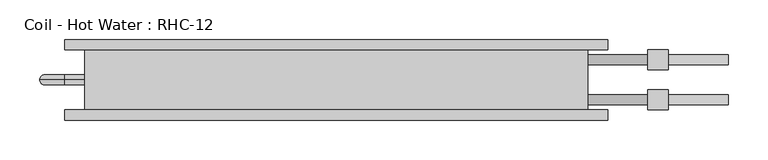
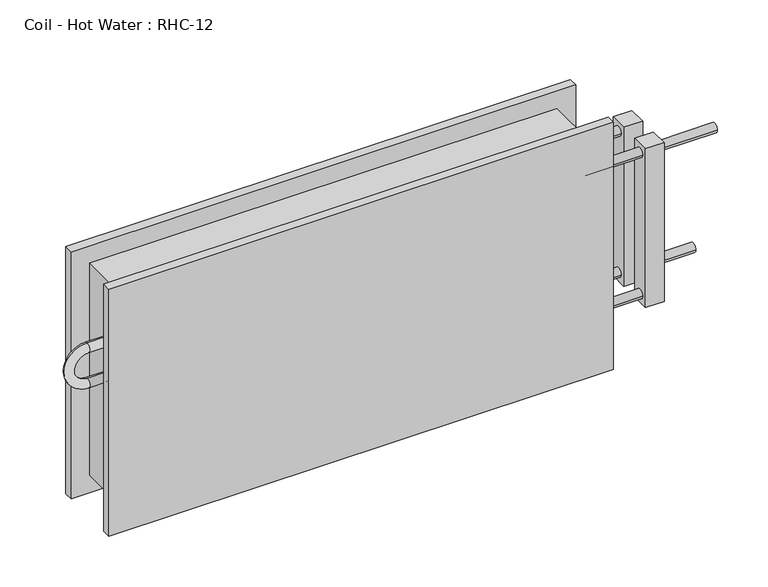
"""IFC4 building model written with IfcOpenShell, lengths in millimetres: proxy geometry, Coil - Hot Water : RHC-12."""

from ifc_helpers import new_model, si_unit, point, frame, origin, place, context, project, spatial, circle_curve, ellipse_curve, trimmed, source, transform, mapped, element, save
from ifc_brep_helpers import plane_surface, cylinder_surface, revolved_surface, advanced_brep


def coil_hot_water_rhc_12_375132b9(model_context):
    return source(origin(), model_context, "Body", "AdvancedBrep", [
        advanced_brep(
        [(-317.5, 76.2, 304.8), (-317.5, 0.0, 304.8), (317.5, 0.0, 304.8), (317.5, 76.2, 304.8), (317.5, 76.2, 0.0), (317.5, 0.0, 0.0), (-317.5, 0.0, 0.0), (-317.5, 76.2, 0.0), (-317.5, 38.1, 222.25), (-317.5, 38.1, 209.55), (-317.5, 38.1, 171.45), (-317.5, 38.1, 158.75), (317.5, 57.15, 254.0), (317.5, 69.85, 254.0), (317.5, 6.35, 50.8), (317.5, 19.05, 50.8), (317.5, 6.35, 254.0), (317.5, 19.05, 254.0), (317.5, 57.15, 50.8), (317.5, 69.85, 50.8), (342.9, 76.2, 330.2), (-342.9, 76.2, 330.2), (-342.9, 76.2, -25.4), (342.9, 76.2, -25.4), (342.9, 88.9, 330.2), (342.9, 88.9, -25.4), (-342.9, 88.9, -25.4), (-342.9, 88.9, 330.2), (495.3, 57.15, 50.8), (495.3, 69.85, 50.8), (495.3, 6.35, 254.0), (495.3, 19.05, 254.0), (419.1, 57.15, 50.8), (419.1, 69.85, 50.8), (419.1, 6.35, 254.0), (419.1, 19.05, 254.0), (342.9, -12.7, 330.2), (-342.9, -12.7, 330.2), (-342.9, -12.7, -25.4), (342.9, -12.7, -25.4), (342.9, 0.0, 330.2), (342.9, 0.0, -25.4), (-342.9, 0.0, -25.4), (-342.9, 0.0, 330.2), (-342.9, 38.1, 222.25), (-342.9, 38.1, 209.55), (-342.9, 38.1, 158.75), (-342.9, 38.1, 171.45), (393.7, 57.15, 254.0), (393.7, 69.85, 254.0), (393.7, 6.35, 50.8), (393.7, 19.05, 50.8), (393.7, 6.35, 254.0), (393.7, 19.05, 254.0), (393.7, 57.15, 50.8), (393.7, 69.85, 50.8), (419.1, 50.8, 266.7), (419.1, 50.8, 38.1), (419.1, 76.2, 38.1), (419.1, 76.2, 266.7), (419.1, 0.0, 266.7), (419.1, 0.0, 38.1), (419.1, 25.4, 38.1), (419.1, 25.4, 266.7), (393.7, 50.8, 266.7), (393.7, 76.2, 266.7), (393.7, 76.2, 38.1), (393.7, 50.8, 38.1), (393.7, 0.0, 266.7), (393.7, 25.4, 266.7), (393.7, 25.4, 38.1), (393.7, 0.0, 38.1)],
        [
            (0, 1),
            (1, 2),
            (2, 3),
            (3, 0),
            (4, 5),
            (5, 6),
            (6, 7),
            (7, 4),
            (0, 7),
            (6, 1),
            (8, 9, circle_curve(frame((-317.5, 38.1, 215.9), z_axis=(1.0, 0.0, 0.0), x_axis=(0.0, 0.0, -1.0)), 6.35)),
            (9, 8, circle_curve(frame((-317.5, 38.1, 215.9), z_axis=(1.0, 0.0, 0.0), x_axis=(0.0, 0.0, -1.0)), 6.35)),
            (10, 11, circle_curve(frame((-317.5, 38.1, 165.1), z_axis=(1.0, 0.0, 0.0), x_axis=(0.0, 0.0, 1.0)), 6.35)),
            (11, 10, circle_curve(frame((-317.5, 38.1, 165.1), z_axis=(1.0, 0.0, 0.0), x_axis=(0.0, 0.0, 1.0)), 6.35)),
            (2, 5),
            (4, 3),
            (12, 13, circle_curve(frame((317.5, 63.5, 254.0), z_axis=(-1.0, 0.0, 0.0), x_axis=(0.0, 1.0, 0.0)), 6.35)),
            (13, 12, circle_curve(frame((317.5, 63.5, 254.0), z_axis=(-1.0, 0.0, 0.0), x_axis=(0.0, 1.0, 0.0)), 6.35)),
            (14, 15, circle_curve(frame((317.5, 12.7, 50.8), z_axis=(-1.0, 0.0, 0.0), x_axis=(0.0, 1.0, 0.0)), 6.35)),
            (15, 14, circle_curve(frame((317.5, 12.7, 50.8), z_axis=(-1.0, 0.0, 0.0), x_axis=(0.0, 1.0, 0.0)), 6.35)),
            (16, 17, circle_curve(frame((317.5, 12.7, 254.0), z_axis=(-1.0, 0.0, 0.0), x_axis=(0.0, 1.0, 0.0)), 6.35)),
            (17, 16, circle_curve(frame((317.5, 12.7, 254.0), z_axis=(-1.0, 0.0, 0.0), x_axis=(0.0, 1.0, 0.0)), 6.35)),
            (18, 19, circle_curve(frame((317.5, 63.5, 50.8), z_axis=(-1.0, 0.0, 0.0), x_axis=(0.0, 1.0, 0.0)), 6.35)),
            (19, 18, circle_curve(frame((317.5, 63.5, 50.8), z_axis=(-1.0, 0.0, 0.0), x_axis=(0.0, 1.0, 0.0)), 6.35)),
            (20, 21),
            (21, 22),
            (22, 23),
            (23, 20),
            (24, 25),
            (25, 26),
            (26, 27),
            (27, 24),
            (20, 24),
            (27, 21),
            (26, 22),
            (25, 23),
            (28, 29, circle_curve(frame((495.3, 63.5, 50.8), z_axis=(1.0, 0.0, 0.0), x_axis=(0.0, 1.0, 0.0)), 6.35)),
            (29, 28, circle_curve(frame((495.3, 63.5, 50.8), z_axis=(1.0, 0.0, 0.0), x_axis=(0.0, 1.0, 0.0)), 6.35)),
            (30, 31, circle_curve(frame((495.3, 12.7, 254.0), z_axis=(1.0, 0.0, 0.0), x_axis=(0.0, 1.0, 0.0)), 6.35)),
            (31, 30, circle_curve(frame((495.3, 12.7, 254.0), z_axis=(1.0, 0.0, 0.0), x_axis=(0.0, 1.0, 0.0)), 6.35)),
            (28, 32),
            (32, 33, circle_curve(frame((419.1, 63.5, 50.8), z_axis=(1.0, 0.0, 0.0), x_axis=(0.0, 1.0, 0.0)), 6.35)),
            (33, 29),
            (33, 32, circle_curve(frame((419.1, 63.5, 50.8), z_axis=(1.0, 0.0, 0.0), x_axis=(0.0, 1.0, 0.0)), 6.35)),
            (30, 34),
            (34, 35, circle_curve(frame((419.1, 12.7, 254.0), z_axis=(1.0, 0.0, 0.0), x_axis=(0.0, 1.0, 0.0)), 6.35)),
            (35, 31),
            (35, 34, circle_curve(frame((419.1, 12.7, 254.0), z_axis=(1.0, 0.0, 0.0), x_axis=(0.0, 1.0, 0.0)), 6.35)),
            (36, 37),
            (37, 38),
            (38, 39),
            (39, 36),
            (40, 41),
            (41, 42),
            (42, 43),
            (43, 40),
            (36, 40),
            (43, 37),
            (42, 38),
            (41, 39),
            (8, 44),
            (44, 45, circle_curve(frame((-342.9, 38.1, 215.9), z_axis=(1.0, 0.0, 0.0), x_axis=(0.0, 0.0, -1.0)), 6.35)),
            (45, 9),
            (45, 44, circle_curve(frame((-342.9, 38.1, 215.9), z_axis=(1.0, 0.0, 0.0), x_axis=(0.0, 0.0, -1.0)), 6.35)),
            (44, 46, circle_curve(frame((-342.9, 38.1, 190.5), z_axis=(0.0, -1.0, 0.0), x_axis=(0.0, 0.0, 1.0)), 31.75)),
            (46, 47, circle_curve(frame((-342.9, 38.1, 165.1), z_axis=(-1.0, 0.0, 0.0), x_axis=(0.0, 0.0, 1.0)), 6.35)),
            (47, 45, circle_curve(frame((-342.9, 38.1, 190.5), z_axis=(0.0, 1.0, 0.0), x_axis=(0.0, 0.0, 1.0)), 19.05)),
            (47, 46, circle_curve(frame((-342.9, 38.1, 165.1), z_axis=(-1.0, 0.0, 0.0), x_axis=(0.0, 0.0, 1.0)), 6.35)),
            (46, 11),
            (10, 47),
            (12, 48),
            (48, 49, circle_curve(frame((393.7, 63.5, 254.0), z_axis=(-1.0, 0.0, 0.0), x_axis=(0.0, 1.0, 0.0)), 6.35)),
            (49, 13),
            (49, 48, circle_curve(frame((393.7, 63.5, 254.0), z_axis=(-1.0, 0.0, 0.0), x_axis=(0.0, 1.0, 0.0)), 6.35)),
            (14, 50),
            (50, 51, circle_curve(frame((393.7, 12.7, 50.8), z_axis=(-1.0, 0.0, 0.0), x_axis=(0.0, 1.0, 0.0)), 6.35)),
            (51, 15),
            (51, 50, circle_curve(frame((393.7, 12.7, 50.8), z_axis=(-1.0, 0.0, 0.0), x_axis=(0.0, 1.0, 0.0)), 6.35)),
            (16, 52),
            (52, 53, circle_curve(frame((393.7, 12.7, 254.0), z_axis=(-1.0, 0.0, 0.0), x_axis=(0.0, 1.0, 0.0)), 6.35)),
            (53, 17),
            (53, 52, circle_curve(frame((393.7, 12.7, 254.0), z_axis=(-1.0, 0.0, 0.0), x_axis=(0.0, 1.0, 0.0)), 6.35)),
            (18, 54),
            (54, 55, circle_curve(frame((393.7, 63.5, 50.8), z_axis=(-1.0, 0.0, 0.0), x_axis=(0.0, 1.0, 0.0)), 6.35)),
            (55, 19),
            (55, 54, circle_curve(frame((393.7, 63.5, 50.8), z_axis=(-1.0, 0.0, 0.0), x_axis=(0.0, 1.0, 0.0)), 6.35)),
            (56, 57),
            (57, 58),
            (58, 59),
            (59, 56),
            (60, 61),
            (61, 62),
            (62, 63),
            (63, 60),
            (64, 65),
            (65, 66),
            (66, 67),
            (67, 64),
            (68, 69),
            (69, 70),
            (70, 71),
            (71, 68),
            (56, 64),
            (67, 57),
            (66, 58),
            (65, 59),
            (60, 68),
            (71, 61),
            (70, 62),
            (69, 63),
        ],
        [
            plane_surface(frame((-317.5, 76.2, 304.8), z_axis=(0.0, 0.0, 1.0), x_axis=(-1.0, 0.0, 0.0))),
            plane_surface(frame((-317.5, 76.2, 0.0), z_axis=(0.0, 0.0, -1.0), x_axis=(1.0, 0.0, 0.0))),
            plane_surface(frame((-317.5, 76.2, 304.8), z_axis=(-1.0, 0.0, 0.0), x_axis=(0.0, 0.0, -1.0))),
            plane_surface(frame((317.5, 0.0, 304.8), z_axis=(1.0, 0.0, 0.0), x_axis=(0.0, 0.0, -1.0))),
            plane_surface(frame((-342.9, 76.2, 330.2), z_axis=(0.0, -1.0, 0.0), x_axis=(-1.0, 0.0, 0.0))),
            plane_surface(frame((-342.9, 88.9, 330.2), z_axis=(0.0, 1.0, 0.0), x_axis=(1.0, 0.0, 0.0))),
            plane_surface(frame((342.9, 76.2, 330.2), z_axis=(0.0, 0.0, 1.0), x_axis=(0.0, 1.0, 0.0))),
            plane_surface(frame((-342.9, 76.2, 330.2), z_axis=(-1.0, 0.0, 0.0), x_axis=(0.0, 1.0, 0.0))),
            plane_surface(frame((-342.9, 76.2, -25.4), z_axis=(0.0, 0.0, -1.0), x_axis=(0.0, 1.0, 0.0))),
            plane_surface(frame((342.9, 76.2, -25.4), z_axis=(1.0, 0.0, 0.0), x_axis=(0.0, 1.0, 0.0))),
            plane_surface(frame((495.3, 69.85, 50.8), z_axis=(1.0, 0.0, 0.0), x_axis=(0.0, 0.0, 1.0))),
            cylinder_surface(frame((419.1, 63.5, 50.8), z_axis=(1.0, 0.0, 0.0), x_axis=(0.0, 1.0, 0.0)), 6.35),
            cylinder_surface(frame((0.0, 12.7, 254.0), z_axis=(1.0, 0.0, 0.0), x_axis=(0.0, 1.0, 0.0)), 6.35),
            plane_surface(frame((-342.9, -12.7, 330.2), z_axis=(0.0, -1.0, 0.0), x_axis=(-1.0, 0.0, 0.0))),
            plane_surface(frame((-342.9, 0.0, 330.2), z_axis=(0.0, 1.0, 0.0), x_axis=(1.0, 0.0, 0.0))),
            plane_surface(frame((342.9, -12.7, 330.2), z_axis=(0.0, 0.0, 1.0), x_axis=(0.0, 1.0, 0.0))),
            plane_surface(frame((-342.9, -12.7, 330.2), z_axis=(-1.0, 0.0, 0.0), x_axis=(0.0, 1.0, 0.0))),
            plane_surface(frame((-342.9, -12.7, -25.4), z_axis=(0.0, 0.0, -1.0), x_axis=(0.0, 1.0, 0.0))),
            plane_surface(frame((342.9, -12.7, -25.4), z_axis=(1.0, 0.0, 0.0), x_axis=(0.0, 1.0, 0.0))),
            cylinder_surface(frame((-317.5, 38.1, 215.9), z_axis=(1.0, 0.0, 0.0), x_axis=(0.0, 0.0, -1.0)), 6.35),
            revolved_surface(trimmed(ellipse_curve(frame((-342.9, 38.1, 215.9), z_axis=(1.0, 0.0, 0.0), x_axis=(0.0, 0.0, -1.0)), 6.35, 6.35), [point((-342.9, 38.1, 222.25))], [point((-342.9, 38.1, 209.55))], True, "CARTESIAN"), (-342.9, 0.0, 190.5), (0.0, -1.0, 0.0)),
            revolved_surface(trimmed(ellipse_curve(frame((-342.9, 38.1, 215.9), z_axis=(1.0, 0.0, 0.0), x_axis=(0.0, 0.0, -1.0)), 6.35, 6.35), [point((-342.9, 38.1, 209.55))], [point((-342.9, 38.1, 222.25))], True, "CARTESIAN"), (-342.9, 0.0, 190.5), (0.0, -1.0, 0.0)),
            cylinder_surface(frame((-342.9, 38.1, 165.1), z_axis=(-1.0, 0.0, 0.0), x_axis=(0.0, 0.0, 1.0)), 6.35),
            cylinder_surface(frame((317.5, 63.5, 254.0), z_axis=(-1.0, 0.0, 0.0), x_axis=(0.0, 1.0, 0.0)), 6.35),
            cylinder_surface(frame((317.5, 12.7, 50.8), z_axis=(-1.0, 0.0, 0.0), x_axis=(0.0, 1.0, 0.0)), 6.35),
            cylinder_surface(frame((317.5, 12.7, 254.0), z_axis=(-1.0, 0.0, 0.0), x_axis=(0.0, 1.0, 0.0)), 6.35),
            cylinder_surface(frame((317.5, 63.5, 50.8), z_axis=(-1.0, 0.0, 0.0), x_axis=(0.0, 1.0, 0.0)), 6.35),
            plane_surface(frame((419.1, 50.8, 264.0802069), z_axis=(1.0, 0.0, 0.0), x_axis=(0.0, 0.0, -1.0))),
            plane_surface(frame((393.7, 50.8, 264.0802069), z_axis=(-1.0, 0.0, 0.0), x_axis=(0.0, 0.0, 1.0))),
            plane_surface(frame((419.1, 50.8, 266.7), z_axis=(0.0, -1.0, 0.0), x_axis=(-1.0, 0.0, 0.0))),
            plane_surface(frame((419.1, 50.8, 38.1), z_axis=(0.0, 0.0, -1.0), x_axis=(-1.0, 0.0, 0.0))),
            plane_surface(frame((419.1, 76.2, 38.1), z_axis=(0.0, 1.0, 0.0), x_axis=(-1.0, 0.0, 0.0))),
            plane_surface(frame((419.1, 76.2, 266.7), z_axis=(0.0, 0.0, 1.0), x_axis=(-1.0, 0.0, 0.0))),
            plane_surface(frame((419.1, 0.0, 266.7), z_axis=(0.0, -1.0, 0.0), x_axis=(-1.0, 0.0, 0.0))),
            plane_surface(frame((419.1, 0.0, 38.1), z_axis=(0.0, 0.0, -1.0), x_axis=(-1.0, 0.0, 0.0))),
            plane_surface(frame((419.1, 25.4, 38.1), z_axis=(0.0, 1.0, 0.0), x_axis=(-1.0, 0.0, 0.0))),
            plane_surface(frame((419.1, 25.4, 266.7), z_axis=(0.0, 0.0, 1.0), x_axis=(-1.0, 0.0, 0.0))),
        ],
        [
            (0, [[1, 2, 3, 4]]),
            (1, [[5, 6, 7, 8]]),
            (2, [[-1, 9, -7, 10], [11, 12], [13, 14]]),
            (3, [[-3, 15, -5, 16], [17, 18], [19, 20], [21, 22], [23, 24]]),
            (4, [[25, 26, 27, 28], [-4, -16, -8, -9]]),
            (5, [[29, 30, 31, 32]]),
            (6, [[-25, 33, -32, 34]]),
            (7, [[-26, -34, -31, 35]]),
            (8, [[-27, -35, -30, 36]]),
            (9, [[-28, -36, -29, -33]]),
            (10, [[37, 38]]),
            (10, [[39, 40]]),
            (11, [[-37, 41, 42, 43]]),
            (11, [[-38, -43, 44, -41]]),
            (12, [[-39, 45, 46, 47]]),
            (12, [[-40, -47, 48, -45]]),
            (13, [[49, 50, 51, 52]]),
            (14, [[53, 54, 55, 56], [-2, -10, -6, -15]]),
            (15, [[-49, 57, -56, 58]]),
            (16, [[-50, -58, -55, 59]]),
            (17, [[-51, -59, -54, 60]]),
            (18, [[-52, -60, -53, -57]]),
            (19, [[61, 62, 63, -11]]),
            (19, [[-61, -12, -63, 64]]),
            (20, [[-62, 65, 66, 67]]),
            (21, [[-64, -67, 68, -65]]),
            (22, [[-66, 69, -13, 70]]),
            (22, [[-68, -70, -14, -69]]),
            (23, [[71, 72, 73, -17]]),
            (23, [[-71, -18, -73, 74]]),
            (24, [[75, 76, 77, -19]]),
            (24, [[-75, -20, -77, 78]]),
            (25, [[79, 80, 81, -21]]),
            (25, [[-79, -22, -81, 82]]),
            (26, [[83, 84, 85, -23]]),
            (26, [[-83, -24, -85, 86]]),
            (27, [[87, 88, 89, 90], [-42, -44]]),
            (27, [[91, 92, 93, 94], [-46, -48]]),
            (28, [[95, 96, 97, 98], [-72, -74], [-84, -86]]),
            (28, [[99, 100, 101, 102], [-76, -78], [-80, -82]]),
            (29, [[-87, 103, -98, 104]]),
            (30, [[-88, -104, -97, 105]]),
            (31, [[-89, -105, -96, 106]]),
            (32, [[-90, -106, -95, -103]]),
            (33, [[-91, 107, -102, 108]]),
            (34, [[-92, -108, -101, 109]]),
            (35, [[-93, -109, -100, 110]]),
            (36, [[-94, -110, -99, -107]]),
        ],
    ),
    ])


if __name__ == "__main__":
    model = new_model("IFC4")
    model_context = context("Model", 3, world=origin())
    ifc_project = project(units=[si_unit("LENGTHUNIT", "METRE", prefix="MILLI")], contexts=[model_context])
    site = spatial("IfcSite", under=ifc_project)
    building = spatial("IfcBuilding", under=site)
    placement = place(None, origin())
    coil_hot_water_rhc_12_shape = coil_hot_water_rhc_12_375132b9(model_context)
    element("IfcBuildingElementProxy", 1, Name="Coil - Hot Water : RHC-12", ObjectType="Coil - Hot Water : RHC-12", at=placement, inside=building, context=model_context, shape_type="MappedRepresentation", body=[
        mapped(coil_hot_water_rhc_12_shape, transform((0.0, 0.0, 0.0), x_axis=(1.0, 0.0, 0.0), y_axis=(0.0, 1.0, 0.0), z_axis=(0.0, 0.0, 1.0))),
    ])
    save(model, "model.ifc")
